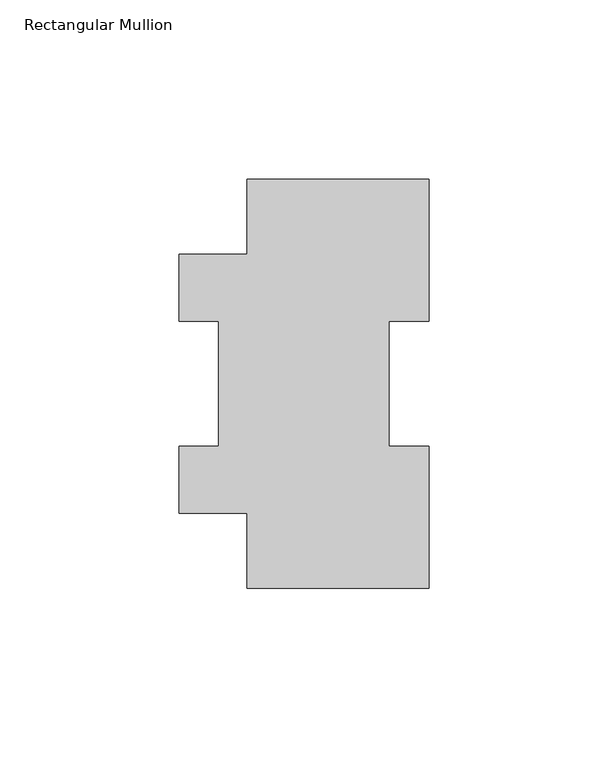
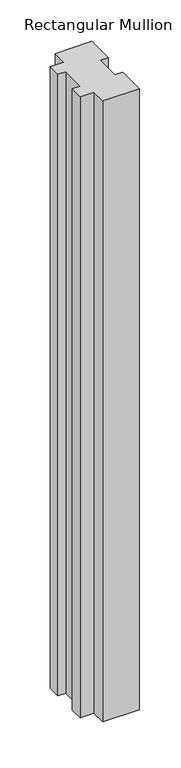
"""IFC4 building model written with IfcOpenShell, lengths in millimetres: member geometry, Rectangular Mullion."""

import ifcopenshell
import ifcopenshell.guid

model = None  # the IFC model being written
_history = None  # IfcOwnerHistory: only IFC2X3 demands one
_inside = {}  # id of a spatial element -> (the spatial element, [elements in it])
_under = {}  # id of a project, library or spatial element -> (it, [spatial elements below it])
_declared = {}  # id of a project -> (the project, [libraries it declares])
_typed = {}  # id of a type object -> (the type object, [elements of that type])
_made_of = {}  # id of a material, layer set ... -> (it, [elements and type objects made of it])


def new_model(schema):
    """Start an empty IFC model of exactly this schema.

    Asked for "IFC4X3", IfcOpenShell would pick the latest addendum, in which some entities
    have other attributes; the version numbers below select the first issue.
    IFC2X3 requires an IfcOwnerHistory on every rooted entity: one is made here for all.
    """
    global model, _history
    if schema == "IFC4X3":
        model = ifcopenshell.file(schema_version=(4, 3, 0, 0))
    else:
        model = ifcopenshell.file(schema=schema)
    _inside.clear()
    _under.clear()
    _declared.clear()
    _typed.clear()
    _made_of.clear()
    _history = None
    if model.schema == "IFC2X3":
        org = make("IfcOrganization", Name="unknown")
        user = make(
            "IfcPersonAndOrganization",
            ThePerson=make("IfcPerson", FamilyName="unknown"),
            TheOrganization=org,
        )
        app = make(
            "IfcApplication",
            ApplicationDeveloper=org,
            Version="unknown",
            ApplicationFullName="unknown",
            ApplicationIdentifier="unknown",
        )
        _history = make(
            "IfcOwnerHistory",
            OwningUser=user,
            OwningApplication=app,
            ChangeAction="ADDED",
            CreationDate=0,
        )
    return model


def make(cls, **values):
    """One entity of the class cls with the attributes given. An attribute that is None is left unset."""
    return model.create_entity(
        cls, **{name: value for name, value in values.items() if value is not None}
    )


def rooted(cls, **values):
    """An entity with a GlobalId (a new one), such as an element, a storey or a relation."""
    return make(cls, GlobalId=ifcopenshell.guid.new(), OwnerHistory=_history, **values)


def si_unit(unit_type, name, prefix=None):
    """IfcSIUnit, for example si_unit("LENGTHUNIT", "METRE", prefix="MILLI")."""
    return make("IfcSIUnit", UnitType=unit_type, Prefix=prefix, Name=name)


def assignment(units):
    """IfcUnitAssignment: the units of a project."""
    return None if units is None else make("IfcUnitAssignment", Units=units)


def point(xyz):
    """IfcCartesianPoint."""
    return None if xyz is None else make("IfcCartesianPoint", Coordinates=xyz)


def direction(xyz):
    """IfcDirection."""
    return None if xyz is None else make("IfcDirection", DirectionRatios=xyz)


def frame(location, z_axis=None, x_axis=None):
    """IfcAxis2Placement3D, a coordinate frame: its origin and axes. An axis left out is left unset."""
    return make(
        "IfcAxis2Placement3D",
        Location=point(location),
        Axis=direction(z_axis),
        RefDirection=direction(x_axis),
    )


def origin():
    """The frame at (0, 0, 0) with its axes left unset."""
    return frame((0.0, 0.0, 0.0))


def place(relative_to, where):
    """IfcLocalPlacement: puts the frame where relative to a parent placement (None: the world)."""
    return make(
        "IfcLocalPlacement", PlacementRelTo=relative_to, RelativePlacement=where
    )


def context(
    kind, dimensions, precision=None, world=None, true_north=None, identifier=None
):
    """IfcGeometricRepresentationContext, for example the 3D "Model" context."""
    return make(
        "IfcGeometricRepresentationContext",
        ContextIdentifier=identifier,
        ContextType=kind,
        CoordinateSpaceDimension=dimensions,
        Precision=precision,
        WorldCoordinateSystem=world,
        TrueNorth=true_north,
    )


def project(units=None, contexts=None):
    """IfcProject with its units and contexts."""
    return rooted(
        "IfcProject",
        Name="project",
        RepresentationContexts=contexts,
        UnitsInContext=assignment(units),
    )


def spatial(cls, under=None, at=None, **own):
    """A site, building, storey or space (cls), placed at a placement, below another one or the project."""
    s = rooted(cls, ObjectPlacement=at, **own)
    if under is not None:
        _under.setdefault(under.id(), (under, []))[1].append(s)
    return s


def polyline(points):
    """IfcPolyline through the points."""
    return make("IfcPolyline", Points=[point(p) for p in points])


def outline(outer, holes=None, kind="AREA"):
    """IfcArbitraryClosedProfileDef: a profile drawn as a closed curve; with holes, ...WithVoids."""
    if holes is None:
        return make("IfcArbitraryClosedProfileDef", ProfileType=kind, OuterCurve=outer)
    return make(
        "IfcArbitraryProfileDefWithVoids",
        ProfileType=kind,
        OuterCurve=outer,
        InnerCurves=holes,
    )


def extrude(swept, where, along, depth):
    """IfcExtrudedAreaSolid: the profile swept, set in the frame where, extruded along a direction by depth."""
    return make(
        "IfcExtrudedAreaSolid",
        SweptArea=swept,
        Position=where,
        ExtrudedDirection=direction(along),
        Depth=depth,
    )


def shape(context_of_items, identifier, shape_type, items):
    """IfcShapeRepresentation: the items that make up one representation, for example the "Body"."""
    return make(
        "IfcShapeRepresentation",
        ContextOfItems=context_of_items,
        RepresentationIdentifier=identifier,
        RepresentationType=shape_type,
        Items=items,
    )


def source(mapping_origin, context_of_items, identifier, shape_type, items):
    """IfcRepresentationMap: a shape defined once, which mapped items show again and again."""
    return make(
        "IfcRepresentationMap",
        MappingOrigin=mapping_origin,
        MappedRepresentation=shape(context_of_items, identifier, shape_type, items),
    )


def transform(
    local_origin,
    x_axis=None,
    y_axis=None,
    z_axis=None,
    scale=None,
    scale2=None,
    scale3=None,
    uniform=True,
):
    """IfcCartesianTransformationOperator3D, or its non-uniform kind. x_axis, y_axis, z_axis: its Axis1, 2, 3."""
    if uniform:
        return make(
            "IfcCartesianTransformationOperator3D",
            Axis1=direction(x_axis),
            Axis2=direction(y_axis),
            LocalOrigin=point(local_origin),
            Scale=scale,
            Axis3=direction(z_axis),
        )
    return make(
        "IfcCartesianTransformationOperator3DnonUniform",
        Axis1=direction(x_axis),
        Axis2=direction(y_axis),
        LocalOrigin=point(local_origin),
        Scale=scale,
        Axis3=direction(z_axis),
        Scale2=scale2,
        Scale3=scale3,
    )


def mapped(mapping_source, mapping_target):
    """IfcMappedItem: shows the shape of a source again, moved by a transform."""
    return make(
        "IfcMappedItem", MappingSource=mapping_source, MappingTarget=mapping_target
    )


def made_of(thing, what):
    """Note that an element or type object is made of a material, layer set ...; save() writes the relation."""
    if what is not None:
        _made_of.setdefault(what.id(), (what, []))[1].append(thing)
    return thing


def element(
    cls,
    number,
    at=None,
    inside=None,
    cuts=None,
    type_object=None,
    material=None,
    context=None,
    identifier="Body",
    shape_type=None,
    held_by="IfcProductDefinitionShape",
    body=None,
    shapes=None,
    **own,
):
    """One element of the class cls, such as IfcWall. Its Tag is "e" and its number.

    at: its placement. inside: the storey or other place that contains it. cuts: it is an
    opening in that element (IfcRelVoidsElement). A single representation is given by context,
    identifier, shape_type and body (its items); several are given by shapes. held_by: the class
    of the entity that holds the representations. save() writes the other relations.
    """
    e = rooted(cls, Tag="e%d" % number, ObjectPlacement=at, **own)
    if body is not None:
        shapes = [shape(context, identifier, shape_type, body)]
    if shapes is not None:
        e.Representation = make(held_by, Representations=shapes)
    if inside is not None:
        _inside.setdefault(inside.id(), (inside, []))[1].append(e)
    if cuts is not None:
        rooted(
            "IfcRelVoidsElement", RelatingBuildingElement=cuts, RelatedOpeningElement=e
        )
    if type_object is not None:
        _typed.setdefault(type_object.id(), (type_object, []))[1].append(e)
    return made_of(e, material)


def aggregate(whole, parts):
    """IfcRelAggregates: a whole, such as a stair, and the parts it consists of."""
    return rooted("IfcRelAggregates", RelatingObject=whole, RelatedObjects=parts)


def save(model, path):
    """Write the relations noted so far, then the file.

    IfcRelAggregates (storeys below a building ...), IfcRelContainedInSpatialStructure (elements
    in a storey), IfcRelDefinesByType, IfcRelAssociatesMaterial and IfcRelDeclares: one each for
    every whole, place, type object, material and project.
    """
    for whole, parts in _under.values():
        aggregate(whole, parts)
    for where, things in _inside.values():
        rooted(
            "IfcRelContainedInSpatialStructure",
            RelatedElements=things,
            RelatingStructure=where,
        )
    for kind, things in _typed.values():
        rooted("IfcRelDefinesByType", RelatedObjects=things, RelatingType=kind)
    for what, things in _made_of.values():
        rooted("IfcRelAssociatesMaterial", RelatedObjects=things, RelatingMaterial=what)
    for by, libraries in _declared.values():
        rooted("IfcRelDeclares", RelatingContext=by, RelatedDefinitions=libraries)
    model.write(path)


def rectangular_mullion_7642de60(model_context):
    return source(origin(), model_context, "Body", "SweptSolid", [
        extrude(outline(polyline([(25.4, 114.271425), (25.4, 74.596625), (14.2875, 74.596625), (14.2875, 39.646225), (25.4, 39.646225), (25.4, -0.028575), (-25.4, -0.028575), (-25.4, 20.977225), (-44.45, 20.977225), (-44.45, 39.646225), (-33.3375, 39.646225), (-33.3375, 74.596625), (-44.45, 74.596625), (-44.45, 93.265625), (-25.4, 93.265625), (-25.4, 114.271425), (25.4, 114.271425)])), frame((0.0, 0.0, -914.4), z_axis=(0.0, 0.0, 1.0), x_axis=(1.0, 0.0, 0.0)), (0.0, 0.0, 1.0), 914.4),
    ])


if __name__ == "__main__":
    model = new_model("IFC4")
    model_context = context("Model", 3, world=origin())
    ifc_project = project(units=[si_unit("LENGTHUNIT", "METRE", prefix="MILLI")], contexts=[model_context])
    site = spatial("IfcSite", under=ifc_project)
    building = spatial("IfcBuilding", under=site)
    placement = place(None, origin())
    rectangular_mullion_shape = rectangular_mullion_7642de60(model_context)
    element("IfcMember", 1, ObjectType="Rectangular Mullion", at=placement, inside=building, context=model_context, shape_type="MappedRepresentation", body=[
        mapped(rectangular_mullion_shape, transform((0.0, 0.0, 0.0), x_axis=(1.0, 0.0, 0.0), y_axis=(0.0, 1.0, 0.0), z_axis=(0.0, 0.0, 1.0))),
    ])
    save(model, "model.ifc")
